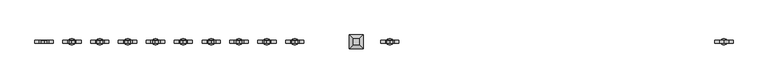
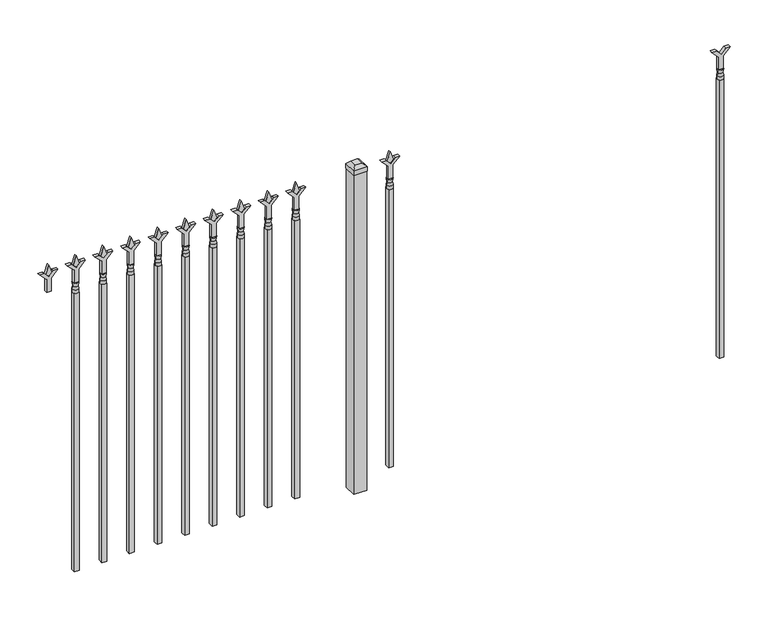
"""IFC4 building model written with IfcOpenShell, lengths in millimetres: railing geometry."""

from ifc_helpers import new_model, si_unit, frame, origin, origin_with_axes, place, context, project, spatial, polyline, circle_curve, outline, extrude, faceted_brep, source, transform, mapped, element, save
from ifc_brep_helpers import plane_surface, cylinder_surface, revolved_surface, advanced_brep


def railing_83a23a74(model_context):
    return source(origin(), model_context, "Body", "SolidModel", [
        extrude(outline(polyline([(1260.475, -70510.749337), (1314.7457378, -70510.749337), (1341.9355122, -70483.5595625), (1341.9355122, -70501.5200747), (1323.975, -70519.480587), (1341.9355122, -70537.4410992), (1341.9355122, -70555.4016114), (1314.7457378, -70528.211837), (1260.475, -70528.211837), (1260.475, -70510.749337)])), frame((0.0, -6737.6070174, 0.0), z_axis=(0.0, 1.0, 0.0), x_axis=(0.0, 0.0, 1.0)), (0.0, 0.0, 1.0), 12.7),
        advanced_brep(
        [(-70507.574337, -6731.2570174, 1231.9), (-70531.386837, -6731.2570174, 1231.9), (-70531.386837, -6731.2570174, 1219.2), (-70507.574337, -6731.2570174, 1219.2), (-70509.7796688, -6731.2570174, 1244.4070585), (-70529.1815051, -6731.2570174, 1244.4070585), (-70507.574337, -6731.2570174, 1260.475), (-70531.386837, -6731.2570174, 1260.475), (-70519.480587, -6731.2570174, 1260.475), (-70519.480587, -6731.2570174, 1219.2)],
        [
            (0, 1, circle_curve(frame((-70519.480587, -6731.2570174, 1231.9), z_axis=(0.0, 0.0, -1.0), x_axis=(-1.0, 0.0, 0.0)), 11.90625)),
            (1, 2),
            (2, 3, circle_curve(frame((-70519.480587, -6731.2570174, 1219.2), z_axis=(0.0, 0.0, 1.0), x_axis=(-1.0, 0.0, 0.0)), 11.90625)),
            (3, 0),
            (1, 0, circle_curve(frame((-70519.480587, -6731.2570174, 1231.9), z_axis=(0.0, 0.0, -1.0), x_axis=(-1.0, 0.0, 0.0)), 11.90625)),
            (3, 2, circle_curve(frame((-70519.480587, -6731.2570174, 1219.2), z_axis=(0.0, 0.0, 1.0), x_axis=(-1.0, 0.0, 0.0)), 11.90625)),
            (4, 5, circle_curve(frame((-70519.480587, -6731.2570174, 1244.4070585), z_axis=(0.0, 0.0, -1.0), x_axis=(-1.0, 0.0, 0.0)), 9.7009181)),
            (5, 1),
            (0, 4),
            (5, 4, circle_curve(frame((-70519.480587, -6731.2570174, 1244.4070585), z_axis=(0.0, 0.0, -1.0), x_axis=(-1.0, 0.0, 0.0)), 9.7009181)),
            (6, 7, circle_curve(frame((-70519.480587, -6731.2570174, 1260.475), z_axis=(0.0, 0.0, -1.0), x_axis=(-1.0, 0.0, 0.0)), 11.90625)),
            (7, 5),
            (4, 6),
            (7, 6, circle_curve(frame((-70519.480587, -6731.2570174, 1260.475), z_axis=(0.0, 0.0, -1.0), x_axis=(-1.0, 0.0, 0.0)), 11.90625)),
            (8, 7),
            (6, 8),
            (2, 9),
            (9, 3),
        ],
        [
            cylinder_surface(frame((-70519.480587, -6731.2570174, 1219.2), z_axis=(0.0, 0.0, 1.0), x_axis=(-1.0, 0.0, 0.0)), 11.90625),
            revolved_surface(polyline([(-70531.386837, -6731.2570174, 1231.9), (-70529.1815051, -6731.2570174, 1244.4070585)]), (-70519.480587, -6731.2570174, 1219.2), (0.0, 0.0, 1.0)),
            revolved_surface(polyline([(-70529.1815051, -6731.2570174, 1244.4070585), (-70531.386837, -6731.2570174, 1260.475)]), (-70519.480587, -6731.2570174, 1219.2), (0.0, 0.0, 1.0)),
            plane_surface(frame((-70519.480587, -6731.2570174, 1260.475), z_axis=(0.0, 0.0, 1.0), x_axis=(-1.0, 0.0, 0.0))),
            plane_surface(frame((-70519.480587, -6731.2570174, 1219.2), z_axis=(0.0, 0.0, -1.0), x_axis=(-1.0, 0.0, 0.0))),
        ],
        [
            (0, [[1, 2, 3, 4]]),
            (0, [[5, -4, 6, -2]]),
            (1, [[7, 8, -1, 9]]),
            (1, [[10, -9, -5, -8]]),
            (2, [[11, 12, -7, 13]]),
            (2, [[14, -13, -10, -12]]),
            (3, [[15, -11, 16]]),
            (3, [[-16, -14, -15]]),
            (4, [[-3, 17, 18]]),
            (4, [[-6, -18, -17]]),
        ],
    ),
        extrude(outline(polyline([(-70529.005587, -6721.7320174), (-70509.955587, -6721.7320174), (-70509.955587, -6740.7820174), (-70529.005587, -6740.7820174), (-70529.005587, -6721.7320174)])), frame((0.0, 0.0, 50.8), z_axis=(0.0, 0.0, 1.0), x_axis=(1.0, 0.0, 0.0)), (0.0, 0.0, 1.0), 1168.4),
        extrude(outline(polyline([(1335.88125, -71818.849337), (1371.6, -71830.755587), (1335.88125, -71842.661837), (1323.975, -71830.755587), (1335.88125, -71818.849337)])), frame((0.0, -6736.0195174, 0.0), z_axis=(0.0, 1.0, 0.0), x_axis=(0.0, 0.0, 1.0)), (0.0, 0.0, 1.0), 9.525),
        extrude(outline(polyline([(1260.475, -71822.024337), (1314.7457378, -71822.024337), (1341.9355122, -71794.8345625), (1341.9355122, -71812.7950747), (1323.975, -71830.755587), (1341.9355122, -71848.7160992), (1341.9355122, -71866.6766114), (1314.7457378, -71839.486837), (1260.475, -71839.486837), (1260.475, -71822.024337)])), frame((0.0, -6737.6070174, 0.0), z_axis=(0.0, 1.0, 0.0), x_axis=(0.0, 0.0, 1.0)), (0.0, 0.0, 1.0), 12.7),
        advanced_brep(
        [(-71818.849337, -6731.2570174, 1231.9), (-71842.661837, -6731.2570174, 1231.9), (-71842.661837, -6731.2570174, 1219.2), (-71818.849337, -6731.2570174, 1219.2), (-71821.0546688, -6731.2570174, 1244.4070585), (-71840.4565051, -6731.2570174, 1244.4070585), (-71818.849337, -6731.2570174, 1260.475), (-71842.661837, -6731.2570174, 1260.475), (-71830.755587, -6731.2570174, 1260.475), (-71830.755587, -6731.2570174, 1219.2)],
        [
            (0, 1, circle_curve(frame((-71830.755587, -6731.2570174, 1231.9), z_axis=(0.0, 0.0, -1.0), x_axis=(-1.0, 0.0, 0.0)), 11.90625)),
            (1, 2),
            (2, 3, circle_curve(frame((-71830.755587, -6731.2570174, 1219.2), z_axis=(0.0, 0.0, 1.0), x_axis=(-1.0, 0.0, 0.0)), 11.90625)),
            (3, 0),
            (1, 0, circle_curve(frame((-71830.755587, -6731.2570174, 1231.9), z_axis=(0.0, 0.0, -1.0), x_axis=(-1.0, 0.0, 0.0)), 11.90625)),
            (3, 2, circle_curve(frame((-71830.755587, -6731.2570174, 1219.2), z_axis=(0.0, 0.0, 1.0), x_axis=(-1.0, 0.0, 0.0)), 11.90625)),
            (4, 5, circle_curve(frame((-71830.755587, -6731.2570174, 1244.4070585), z_axis=(0.0, 0.0, -1.0), x_axis=(-1.0, 0.0, 0.0)), 9.7009181)),
            (5, 1),
            (0, 4),
            (5, 4, circle_curve(frame((-71830.755587, -6731.2570174, 1244.4070585), z_axis=(0.0, 0.0, -1.0), x_axis=(-1.0, 0.0, 0.0)), 9.7009181)),
            (6, 7, circle_curve(frame((-71830.755587, -6731.2570174, 1260.475), z_axis=(0.0, 0.0, -1.0), x_axis=(-1.0, 0.0, 0.0)), 11.90625)),
            (7, 5),
            (4, 6),
            (7, 6, circle_curve(frame((-71830.755587, -6731.2570174, 1260.475), z_axis=(0.0, 0.0, -1.0), x_axis=(-1.0, 0.0, 0.0)), 11.90625)),
            (8, 7),
            (6, 8),
            (2, 9),
            (9, 3),
        ],
        [
            cylinder_surface(frame((-71830.755587, -6731.2570174, 1219.2), z_axis=(0.0, 0.0, 1.0), x_axis=(-1.0, 0.0, 0.0)), 11.90625),
            revolved_surface(polyline([(-71842.661837, -6731.2570174, 1231.9), (-71840.4565051, -6731.2570174, 1244.4070585)]), (-71830.755587, -6731.2570174, 1219.2), (0.0, 0.0, 1.0)),
            revolved_surface(polyline([(-71840.4565051, -6731.2570174, 1244.4070585), (-71842.661837, -6731.2570174, 1260.475)]), (-71830.755587, -6731.2570174, 1219.2), (0.0, 0.0, 1.0)),
            plane_surface(frame((-71830.755587, -6731.2570174, 1260.475), z_axis=(0.0, 0.0, 1.0), x_axis=(-1.0, 0.0, 0.0))),
            plane_surface(frame((-71830.755587, -6731.2570174, 1219.2), z_axis=(0.0, 0.0, -1.0), x_axis=(-1.0, 0.0, 0.0))),
        ],
        [
            (0, [[1, 2, 3, 4]]),
            (0, [[5, -4, 6, -2]]),
            (1, [[7, 8, -1, 9]]),
            (1, [[10, -9, -5, -8]]),
            (2, [[11, 12, -7, 13]]),
            (2, [[14, -13, -10, -12]]),
            (3, [[15, -11, 16]]),
            (3, [[-16, -14, -15]]),
            (4, [[-3, 17, 18]]),
            (4, [[-6, -18, -17]]),
        ],
    ),
        extrude(outline(polyline([(-71840.280587, -6721.7320174), (-71821.230587, -6721.7320174), (-71821.230587, -6740.7820174), (-71840.280587, -6740.7820174), (-71840.280587, -6721.7320174)])), frame((0.0, 0.0, 50.8), z_axis=(0.0, 0.0, 1.0), x_axis=(1.0, 0.0, 0.0)), (0.0, 0.0, 1.0), 1168.4),
        extrude(outline(polyline([(-71937.118087, -6705.8570174), (-71937.118087, -6756.6570174), (-71987.918087, -6756.6570174), (-71987.918087, -6705.8570174), (-71937.118087, -6705.8570174)])), origin_with_axes(), (0.0, 0.0, 1.0), 1339.85),
        faceted_brep([(-71989.505587, -6704.2695174, 1358.9), (-71989.505587, -6704.2695174, 1339.85), (-71989.505587, -6758.2445174, 1339.85), (-71989.505587, -6758.2445174, 1358.9), (-71976.805587, -6716.9695174, 1371.6), (-71976.805587, -6745.5445174, 1371.6), (-71935.530587, -6758.2445174, 1339.85), (-71935.530587, -6758.2445174, 1358.9), (-71948.230587, -6745.5445174, 1371.6), (-71935.530587, -6704.2695174, 1339.85), (-71935.530587, -6704.2695174, 1358.9), (-71948.230587, -6716.9695174, 1371.6)], [[[0, 1, 2, 3]], [[4, 0, 3, 5]], [[3, 2, 6, 7]], [[5, 3, 7, 8]], [[7, 6, 9, 10]], [[8, 7, 10, 11]], [[10, 9, 1, 0]], [[11, 10, 0, 4]], [[5, 8, 11, 4]], [[1, 9, 6, 2]]]),
        extrude(outline(polyline([(1335.88125, -72191.6472536), (1371.6, -72203.5535036), (1335.88125, -72215.4597536), (1323.975, -72203.5535036), (1335.88125, -72191.6472536)])), frame((0.0, -6736.0195174, 0.0), z_axis=(0.0, 1.0, 0.0), x_axis=(0.0, 0.0, 1.0)), (0.0, 0.0, 1.0), 9.525),
        extrude(outline(polyline([(1260.475, -72194.8222536), (1314.7457378, -72194.8222536), (1341.9355122, -72167.6324791), (1341.9355122, -72185.5929914), (1323.975, -72203.5535036), (1341.9355122, -72221.5140159), (1341.9355122, -72239.4745281), (1314.7457378, -72212.2847536), (1260.475, -72212.2847536), (1260.475, -72194.8222536)])), frame((0.0, -6737.6070174, 0.0), z_axis=(0.0, 1.0, 0.0), x_axis=(0.0, 0.0, 1.0)), (0.0, 0.0, 1.0), 12.7),
        advanced_brep(
        [(-72191.6472536, -6731.2570174, 1231.9), (-72215.4597536, -6731.2570174, 1231.9), (-72215.4597536, -6731.2570174, 1219.2), (-72191.6472536, -6731.2570174, 1219.2), (-72193.8525855, -6731.2570174, 1244.4070585), (-72213.2544218, -6731.2570174, 1244.4070585), (-72191.6472536, -6731.2570174, 1260.475), (-72215.4597536, -6731.2570174, 1260.475), (-72203.5535036, -6731.2570174, 1260.475), (-72203.5535036, -6731.2570174, 1219.2)],
        [
            (0, 1, circle_curve(frame((-72203.5535036, -6731.2570174, 1231.9), z_axis=(0.0, 0.0, -1.0), x_axis=(-1.0, 0.0, 0.0)), 11.90625)),
            (1, 2),
            (2, 3, circle_curve(frame((-72203.5535036, -6731.2570174, 1219.2), z_axis=(0.0, 0.0, 1.0), x_axis=(-1.0, 0.0, 0.0)), 11.90625)),
            (3, 0),
            (1, 0, circle_curve(frame((-72203.5535036, -6731.2570174, 1231.9), z_axis=(0.0, 0.0, -1.0), x_axis=(-1.0, 0.0, 0.0)), 11.90625)),
            (3, 2, circle_curve(frame((-72203.5535036, -6731.2570174, 1219.2), z_axis=(0.0, 0.0, 1.0), x_axis=(-1.0, 0.0, 0.0)), 11.90625)),
            (4, 5, circle_curve(frame((-72203.5535036, -6731.2570174, 1244.4070585), z_axis=(0.0, 0.0, -1.0), x_axis=(-1.0, 0.0, 0.0)), 9.7009181)),
            (5, 1),
            (0, 4),
            (5, 4, circle_curve(frame((-72203.5535036, -6731.2570174, 1244.4070585), z_axis=(0.0, 0.0, -1.0), x_axis=(-1.0, 0.0, 0.0)), 9.7009181)),
            (6, 7, circle_curve(frame((-72203.5535036, -6731.2570174, 1260.475), z_axis=(0.0, 0.0, -1.0), x_axis=(-1.0, 0.0, 0.0)), 11.90625)),
            (7, 5),
            (4, 6),
            (7, 6, circle_curve(frame((-72203.5535036, -6731.2570174, 1260.475), z_axis=(0.0, 0.0, -1.0), x_axis=(-1.0, 0.0, 0.0)), 11.90625)),
            (8, 7),
            (6, 8),
            (2, 9),
            (9, 3),
        ],
        [
            cylinder_surface(frame((-72203.5535036, -6731.2570174, 1219.2), z_axis=(0.0, 0.0, 1.0), x_axis=(-1.0, 0.0, 0.0)), 11.90625),
            revolved_surface(polyline([(-72215.4597536, -6731.2570174, 1231.9), (-72213.2544218, -6731.2570174, 1244.4070585)]), (-72203.5535036, -6731.2570174, 1219.2), (0.0, 0.0, 1.0)),
            revolved_surface(polyline([(-72213.2544218, -6731.2570174, 1244.4070585), (-72215.4597536, -6731.2570174, 1260.475)]), (-72203.5535036, -6731.2570174, 1219.2), (0.0, 0.0, 1.0)),
            plane_surface(frame((-72203.5535036, -6731.2570174, 1260.475), z_axis=(0.0, 0.0, 1.0), x_axis=(-1.0, 0.0, 0.0))),
            plane_surface(frame((-72203.5535036, -6731.2570174, 1219.2), z_axis=(0.0, 0.0, -1.0), x_axis=(-1.0, 0.0, 0.0))),
        ],
        [
            (0, [[1, 2, 3, 4]]),
            (0, [[5, -4, 6, -2]]),
            (1, [[7, 8, -1, 9]]),
            (1, [[10, -9, -5, -8]]),
            (2, [[11, 12, -7, 13]]),
            (2, [[14, -13, -10, -12]]),
            (3, [[15, -11, 16]]),
            (3, [[-16, -14, -15]]),
            (4, [[-3, 17, 18]]),
            (4, [[-6, -18, -17]]),
        ],
    ),
        extrude(outline(polyline([(-72213.0785036, -6721.7320174), (-72194.0285036, -6721.7320174), (-72194.0285036, -6740.7820174), (-72213.0785036, -6740.7820174), (-72213.0785036, -6721.7320174)])), frame((0.0, 0.0, 50.8), z_axis=(0.0, 0.0, 1.0), x_axis=(1.0, 0.0, 0.0)), (0.0, 0.0, 1.0), 1168.4),
        extrude(outline(polyline([(1335.88125, -72300.9201703), (1371.6, -72312.8264203), (1335.88125, -72324.7326703), (1323.975, -72312.8264203), (1335.88125, -72300.9201703)])), frame((0.0, -6736.0195174, 0.0), z_axis=(0.0, 1.0, 0.0), x_axis=(0.0, 0.0, 1.0)), (0.0, 0.0, 1.0), 9.525),
        extrude(outline(polyline([(1260.475, -72304.0951703), (1314.7457378, -72304.0951703), (1341.9355122, -72276.9053958), (1341.9355122, -72294.8659081), (1323.975, -72312.8264203), (1341.9355122, -72330.7869325), (1341.9355122, -72348.7474448), (1314.7457378, -72321.5576703), (1260.475, -72321.5576703), (1260.475, -72304.0951703)])), frame((0.0, -6737.6070174, 0.0), z_axis=(0.0, 1.0, 0.0), x_axis=(0.0, 0.0, 1.0)), (0.0, 0.0, 1.0), 12.7),
        advanced_brep(
        [(-72300.9201703, -6731.2570174, 1231.9), (-72324.7326703, -6731.2570174, 1231.9), (-72324.7326703, -6731.2570174, 1219.2), (-72300.9201703, -6731.2570174, 1219.2), (-72303.1255022, -6731.2570174, 1244.4070585), (-72322.5273384, -6731.2570174, 1244.4070585), (-72300.9201703, -6731.2570174, 1260.475), (-72324.7326703, -6731.2570174, 1260.475), (-72312.8264203, -6731.2570174, 1260.475), (-72312.8264203, -6731.2570174, 1219.2)],
        [
            (0, 1, circle_curve(frame((-72312.8264203, -6731.2570174, 1231.9), z_axis=(0.0, 0.0, -1.0), x_axis=(-1.0, 0.0, 0.0)), 11.90625)),
            (1, 2),
            (2, 3, circle_curve(frame((-72312.8264203, -6731.2570174, 1219.2), z_axis=(0.0, 0.0, 1.0), x_axis=(-1.0, 0.0, 0.0)), 11.90625)),
            (3, 0),
            (1, 0, circle_curve(frame((-72312.8264203, -6731.2570174, 1231.9), z_axis=(0.0, 0.0, -1.0), x_axis=(-1.0, 0.0, 0.0)), 11.90625)),
            (3, 2, circle_curve(frame((-72312.8264203, -6731.2570174, 1219.2), z_axis=(0.0, 0.0, 1.0), x_axis=(-1.0, 0.0, 0.0)), 11.90625)),
            (4, 5, circle_curve(frame((-72312.8264203, -6731.2570174, 1244.4070585), z_axis=(0.0, 0.0, -1.0), x_axis=(-1.0, 0.0, 0.0)), 9.7009181)),
            (5, 1),
            (0, 4),
            (5, 4, circle_curve(frame((-72312.8264203, -6731.2570174, 1244.4070585), z_axis=(0.0, 0.0, -1.0), x_axis=(-1.0, 0.0, 0.0)), 9.7009181)),
            (6, 7, circle_curve(frame((-72312.8264203, -6731.2570174, 1260.475), z_axis=(0.0, 0.0, -1.0), x_axis=(-1.0, 0.0, 0.0)), 11.90625)),
            (7, 5),
            (4, 6),
            (7, 6, circle_curve(frame((-72312.8264203, -6731.2570174, 1260.475), z_axis=(0.0, 0.0, -1.0), x_axis=(-1.0, 0.0, 0.0)), 11.90625)),
            (8, 7),
            (6, 8),
            (2, 9),
            (9, 3),
        ],
        [
            cylinder_surface(frame((-72312.8264203, -6731.2570174, 1219.2), z_axis=(0.0, 0.0, 1.0), x_axis=(-1.0, 0.0, 0.0)), 11.90625),
            revolved_surface(polyline([(-72324.7326703, -6731.2570174, 1231.9), (-72322.5273384, -6731.2570174, 1244.4070585)]), (-72312.8264203, -6731.2570174, 1219.2), (0.0, 0.0, 1.0)),
            revolved_surface(polyline([(-72322.5273384, -6731.2570174, 1244.4070585), (-72324.7326703, -6731.2570174, 1260.475)]), (-72312.8264203, -6731.2570174, 1219.2), (0.0, 0.0, 1.0)),
            plane_surface(frame((-72312.8264203, -6731.2570174, 1260.475), z_axis=(0.0, 0.0, 1.0), x_axis=(-1.0, 0.0, 0.0))),
            plane_surface(frame((-72312.8264203, -6731.2570174, 1219.2), z_axis=(0.0, 0.0, -1.0), x_axis=(-1.0, 0.0, 0.0))),
        ],
        [
            (0, [[1, 2, 3, 4]]),
            (0, [[5, -4, 6, -2]]),
            (1, [[7, 8, -1, 9]]),
            (1, [[10, -9, -5, -8]]),
            (2, [[11, 12, -7, 13]]),
            (2, [[14, -13, -10, -12]]),
            (3, [[15, -11, 16]]),
            (3, [[-16, -14, -15]]),
            (4, [[-3, 17, 18]]),
            (4, [[-6, -18, -17]]),
        ],
    ),
        extrude(outline(polyline([(-72322.3514203, -6721.7320174), (-72303.3014203, -6721.7320174), (-72303.3014203, -6740.7820174), (-72322.3514203, -6740.7820174), (-72322.3514203, -6721.7320174)])), frame((0.0, 0.0, 50.8), z_axis=(0.0, 0.0, 1.0), x_axis=(1.0, 0.0, 0.0)), (0.0, 0.0, 1.0), 1168.4),
        extrude(outline(polyline([(1335.88125, -72410.193087), (1371.6, -72422.099337), (1335.88125, -72434.005587), (1323.975, -72422.099337), (1335.88125, -72410.193087)])), frame((0.0, -6736.0195174, 0.0), z_axis=(0.0, 1.0, 0.0), x_axis=(0.0, 0.0, 1.0)), (0.0, 0.0, 1.0), 9.525),
        extrude(outline(polyline([(1260.475, -72413.368087), (1314.7457378, -72413.368087), (1341.9355122, -72386.1783125), (1341.9355122, -72404.1388247), (1323.975, -72422.099337), (1341.9355122, -72440.0598492), (1341.9355122, -72458.0203614), (1314.7457378, -72430.830587), (1260.475, -72430.830587), (1260.475, -72413.368087)])), frame((0.0, -6737.6070174, 0.0), z_axis=(0.0, 1.0, 0.0), x_axis=(0.0, 0.0, 1.0)), (0.0, 0.0, 1.0), 12.7),
        advanced_brep(
        [(-72410.193087, -6731.2570174, 1231.9), (-72434.005587, -6731.2570174, 1231.9), (-72434.005587, -6731.2570174, 1219.2), (-72410.193087, -6731.2570174, 1219.2), (-72412.3984188, -6731.2570174, 1244.4070585), (-72431.8002551, -6731.2570174, 1244.4070585), (-72410.193087, -6731.2570174, 1260.475), (-72434.005587, -6731.2570174, 1260.475), (-72422.099337, -6731.2570174, 1260.475), (-72422.099337, -6731.2570174, 1219.2)],
        [
            (0, 1, circle_curve(frame((-72422.099337, -6731.2570174, 1231.9), z_axis=(0.0, 0.0, -1.0), x_axis=(-1.0, 0.0, 0.0)), 11.90625)),
            (1, 2),
            (2, 3, circle_curve(frame((-72422.099337, -6731.2570174, 1219.2), z_axis=(0.0, 0.0, 1.0), x_axis=(-1.0, 0.0, 0.0)), 11.90625)),
            (3, 0),
            (1, 0, circle_curve(frame((-72422.099337, -6731.2570174, 1231.9), z_axis=(0.0, 0.0, -1.0), x_axis=(-1.0, 0.0, 0.0)), 11.90625)),
            (3, 2, circle_curve(frame((-72422.099337, -6731.2570174, 1219.2), z_axis=(0.0, 0.0, 1.0), x_axis=(-1.0, 0.0, 0.0)), 11.90625)),
            (4, 5, circle_curve(frame((-72422.099337, -6731.2570174, 1244.4070585), z_axis=(0.0, 0.0, -1.0), x_axis=(-1.0, 0.0, 0.0)), 9.7009181)),
            (5, 1),
            (0, 4),
            (5, 4, circle_curve(frame((-72422.099337, -6731.2570174, 1244.4070585), z_axis=(0.0, 0.0, -1.0), x_axis=(-1.0, 0.0, 0.0)), 9.7009181)),
            (6, 7, circle_curve(frame((-72422.099337, -6731.2570174, 1260.475), z_axis=(0.0, 0.0, -1.0), x_axis=(-1.0, 0.0, 0.0)), 11.90625)),
            (7, 5),
            (4, 6),
            (7, 6, circle_curve(frame((-72422.099337, -6731.2570174, 1260.475), z_axis=(0.0, 0.0, -1.0), x_axis=(-1.0, 0.0, 0.0)), 11.90625)),
            (8, 7),
            (6, 8),
            (2, 9),
            (9, 3),
        ],
        [
            cylinder_surface(frame((-72422.099337, -6731.2570174, 1219.2), z_axis=(0.0, 0.0, 1.0), x_axis=(-1.0, 0.0, 0.0)), 11.90625),
            revolved_surface(polyline([(-72434.005587, -6731.2570174, 1231.9), (-72431.8002551, -6731.2570174, 1244.4070585)]), (-72422.099337, -6731.2570174, 1219.2), (0.0, 0.0, 1.0)),
            revolved_surface(polyline([(-72431.8002551, -6731.2570174, 1244.4070585), (-72434.005587, -6731.2570174, 1260.475)]), (-72422.099337, -6731.2570174, 1219.2), (0.0, 0.0, 1.0)),
            plane_surface(frame((-72422.099337, -6731.2570174, 1260.475), z_axis=(0.0, 0.0, 1.0), x_axis=(-1.0, 0.0, 0.0))),
            plane_surface(frame((-72422.099337, -6731.2570174, 1219.2), z_axis=(0.0, 0.0, -1.0), x_axis=(-1.0, 0.0, 0.0))),
        ],
        [
            (0, [[1, 2, 3, 4]]),
            (0, [[5, -4, 6, -2]]),
            (1, [[7, 8, -1, 9]]),
            (1, [[10, -9, -5, -8]]),
            (2, [[11, 12, -7, 13]]),
            (2, [[14, -13, -10, -12]]),
            (3, [[15, -11, 16]]),
            (3, [[-16, -14, -15]]),
            (4, [[-3, 17, 18]]),
            (4, [[-6, -18, -17]]),
        ],
    ),
        extrude(outline(polyline([(-72431.624337, -6721.7320174), (-72412.574337, -6721.7320174), (-72412.574337, -6740.7820174), (-72431.624337, -6740.7820174), (-72431.624337, -6721.7320174)])), frame((0.0, 0.0, 50.8), z_axis=(0.0, 0.0, 1.0), x_axis=(1.0, 0.0, 0.0)), (0.0, 0.0, 1.0), 1168.4),
        extrude(outline(polyline([(1335.88125, -72519.4660036), (1371.6, -72531.3722536), (1335.88125, -72543.2785036), (1323.975, -72531.3722536), (1335.88125, -72519.4660036)])), frame((0.0, -6736.0195174, 0.0), z_axis=(0.0, 1.0, 0.0), x_axis=(0.0, 0.0, 1.0)), (0.0, 0.0, 1.0), 9.525),
        extrude(outline(polyline([(1260.475, -72522.6410036), (1314.7457378, -72522.6410036), (1341.9355122, -72495.4512291), (1341.9355122, -72513.4117414), (1323.975, -72531.3722536), (1341.9355122, -72549.3327659), (1341.9355122, -72567.2932781), (1314.7457378, -72540.1035036), (1260.475, -72540.1035036), (1260.475, -72522.6410036)])), frame((0.0, -6737.6070174, 0.0), z_axis=(0.0, 1.0, 0.0), x_axis=(0.0, 0.0, 1.0)), (0.0, 0.0, 1.0), 12.7),
        advanced_brep(
        [(-72519.4660036, -6731.2570174, 1231.9), (-72543.2785036, -6731.2570174, 1231.9), (-72543.2785036, -6731.2570174, 1219.2), (-72519.4660036, -6731.2570174, 1219.2), (-72521.6713355, -6731.2570174, 1244.4070585), (-72541.0731718, -6731.2570174, 1244.4070585), (-72519.4660036, -6731.2570174, 1260.475), (-72543.2785036, -6731.2570174, 1260.475), (-72531.3722536, -6731.2570174, 1260.475), (-72531.3722536, -6731.2570174, 1219.2)],
        [
            (0, 1, circle_curve(frame((-72531.3722536, -6731.2570174, 1231.9), z_axis=(0.0, 0.0, -1.0), x_axis=(-1.0, 0.0, 0.0)), 11.90625)),
            (1, 2),
            (2, 3, circle_curve(frame((-72531.3722536, -6731.2570174, 1219.2), z_axis=(0.0, 0.0, 1.0), x_axis=(-1.0, 0.0, 0.0)), 11.90625)),
            (3, 0),
            (1, 0, circle_curve(frame((-72531.3722536, -6731.2570174, 1231.9), z_axis=(0.0, 0.0, -1.0), x_axis=(-1.0, 0.0, 0.0)), 11.90625)),
            (3, 2, circle_curve(frame((-72531.3722536, -6731.2570174, 1219.2), z_axis=(0.0, 0.0, 1.0), x_axis=(-1.0, 0.0, 0.0)), 11.90625)),
            (4, 5, circle_curve(frame((-72531.3722536, -6731.2570174, 1244.4070585), z_axis=(0.0, 0.0, -1.0), x_axis=(-1.0, 0.0, 0.0)), 9.7009181)),
            (5, 1),
            (0, 4),
            (5, 4, circle_curve(frame((-72531.3722536, -6731.2570174, 1244.4070585), z_axis=(0.0, 0.0, -1.0), x_axis=(-1.0, 0.0, 0.0)), 9.7009181)),
            (6, 7, circle_curve(frame((-72531.3722536, -6731.2570174, 1260.475), z_axis=(0.0, 0.0, -1.0), x_axis=(-1.0, 0.0, 0.0)), 11.90625)),
            (7, 5),
            (4, 6),
            (7, 6, circle_curve(frame((-72531.3722536, -6731.2570174, 1260.475), z_axis=(0.0, 0.0, -1.0), x_axis=(-1.0, 0.0, 0.0)), 11.90625)),
            (8, 7),
            (6, 8),
            (2, 9),
            (9, 3),
        ],
        [
            cylinder_surface(frame((-72531.3722536, -6731.2570174, 1219.2), z_axis=(0.0, 0.0, 1.0), x_axis=(-1.0, 0.0, 0.0)), 11.90625),
            revolved_surface(polyline([(-72543.2785036, -6731.2570174, 1231.9), (-72541.0731718, -6731.2570174, 1244.4070585)]), (-72531.3722536, -6731.2570174, 1219.2), (0.0, 0.0, 1.0)),
            revolved_surface(polyline([(-72541.0731718, -6731.2570174, 1244.4070585), (-72543.2785036, -6731.2570174, 1260.475)]), (-72531.3722536, -6731.2570174, 1219.2), (0.0, 0.0, 1.0)),
            plane_surface(frame((-72531.3722536, -6731.2570174, 1260.475), z_axis=(0.0, 0.0, 1.0), x_axis=(-1.0, 0.0, 0.0))),
            plane_surface(frame((-72531.3722536, -6731.2570174, 1219.2), z_axis=(0.0, 0.0, -1.0), x_axis=(-1.0, 0.0, 0.0))),
        ],
        [
            (0, [[1, 2, 3, 4]]),
            (0, [[5, -4, 6, -2]]),
            (1, [[7, 8, -1, 9]]),
            (1, [[10, -9, -5, -8]]),
            (2, [[11, 12, -7, 13]]),
            (2, [[14, -13, -10, -12]]),
            (3, [[15, -11, 16]]),
            (3, [[-16, -14, -15]]),
            (4, [[-3, 17, 18]]),
            (4, [[-6, -18, -17]]),
        ],
    ),
        extrude(outline(polyline([(-72540.8972536, -6721.7320174), (-72521.8472536, -6721.7320174), (-72521.8472536, -6740.7820174), (-72540.8972536, -6740.7820174), (-72540.8972536, -6721.7320174)])), frame((0.0, 0.0, 50.8), z_axis=(0.0, 0.0, 1.0), x_axis=(1.0, 0.0, 0.0)), (0.0, 0.0, 1.0), 1168.4),
        extrude(outline(polyline([(1335.88125, -72628.7389203), (1371.6, -72640.6451703), (1335.88125, -72652.5514203), (1323.975, -72640.6451703), (1335.88125, -72628.7389203)])), frame((0.0, -6736.0195174, 0.0), z_axis=(0.0, 1.0, 0.0), x_axis=(0.0, 0.0, 1.0)), (0.0, 0.0, 1.0), 9.525),
        extrude(outline(polyline([(1260.475, -72631.9139203), (1314.7457378, -72631.9139203), (1341.9355122, -72604.7241458), (1341.9355122, -72622.6846581), (1323.975, -72640.6451703), (1341.9355122, -72658.6056825), (1341.9355122, -72676.5661948), (1314.7457378, -72649.3764203), (1260.475, -72649.3764203), (1260.475, -72631.9139203)])), frame((0.0, -6737.6070174, 0.0), z_axis=(0.0, 1.0, 0.0), x_axis=(0.0, 0.0, 1.0)), (0.0, 0.0, 1.0), 12.7),
        advanced_brep(
        [(-72628.7389203, -6731.2570174, 1231.9), (-72652.5514203, -6731.2570174, 1231.9), (-72652.5514203, -6731.2570174, 1219.2), (-72628.7389203, -6731.2570174, 1219.2), (-72630.9442522, -6731.2570174, 1244.4070585), (-72650.3460884, -6731.2570174, 1244.4070585), (-72628.7389203, -6731.2570174, 1260.475), (-72652.5514203, -6731.2570174, 1260.475), (-72640.6451703, -6731.2570174, 1260.475), (-72640.6451703, -6731.2570174, 1219.2)],
        [
            (0, 1, circle_curve(frame((-72640.6451703, -6731.2570174, 1231.9), z_axis=(0.0, 0.0, -1.0), x_axis=(-1.0, 0.0, 0.0)), 11.90625)),
            (1, 2),
            (2, 3, circle_curve(frame((-72640.6451703, -6731.2570174, 1219.2), z_axis=(0.0, 0.0, 1.0), x_axis=(-1.0, 0.0, 0.0)), 11.90625)),
            (3, 0),
            (1, 0, circle_curve(frame((-72640.6451703, -6731.2570174, 1231.9), z_axis=(0.0, 0.0, -1.0), x_axis=(-1.0, 0.0, 0.0)), 11.90625)),
            (3, 2, circle_curve(frame((-72640.6451703, -6731.2570174, 1219.2), z_axis=(0.0, 0.0, 1.0), x_axis=(-1.0, 0.0, 0.0)), 11.90625)),
            (4, 5, circle_curve(frame((-72640.6451703, -6731.2570174, 1244.4070585), z_axis=(0.0, 0.0, -1.0), x_axis=(-1.0, 0.0, 0.0)), 9.7009181)),
            (5, 1),
            (0, 4),
            (5, 4, circle_curve(frame((-72640.6451703, -6731.2570174, 1244.4070585), z_axis=(0.0, 0.0, -1.0), x_axis=(-1.0, 0.0, 0.0)), 9.7009181)),
            (6, 7, circle_curve(frame((-72640.6451703, -6731.2570174, 1260.475), z_axis=(0.0, 0.0, -1.0), x_axis=(-1.0, 0.0, 0.0)), 11.90625)),
            (7, 5),
            (4, 6),
            (7, 6, circle_curve(frame((-72640.6451703, -6731.2570174, 1260.475), z_axis=(0.0, 0.0, -1.0), x_axis=(-1.0, 0.0, 0.0)), 11.90625)),
            (8, 7),
            (6, 8),
            (2, 9),
            (9, 3),
        ],
        [
            cylinder_surface(frame((-72640.6451703, -6731.2570174, 1219.2), z_axis=(0.0, 0.0, 1.0), x_axis=(-1.0, 0.0, 0.0)), 11.90625),
            revolved_surface(polyline([(-72652.5514203, -6731.2570174, 1231.9), (-72650.3460884, -6731.2570174, 1244.4070585)]), (-72640.6451703, -6731.2570174, 1219.2), (0.0, 0.0, 1.0)),
            revolved_surface(polyline([(-72650.3460884, -6731.2570174, 1244.4070585), (-72652.5514203, -6731.2570174, 1260.475)]), (-72640.6451703, -6731.2570174, 1219.2), (0.0, 0.0, 1.0)),
            plane_surface(frame((-72640.6451703, -6731.2570174, 1260.475), z_axis=(0.0, 0.0, 1.0), x_axis=(-1.0, 0.0, 0.0))),
            plane_surface(frame((-72640.6451703, -6731.2570174, 1219.2), z_axis=(0.0, 0.0, -1.0), x_axis=(-1.0, 0.0, 0.0))),
        ],
        [
            (0, [[1, 2, 3, 4]]),
            (0, [[5, -4, 6, -2]]),
            (1, [[7, 8, -1, 9]]),
            (1, [[10, -9, -5, -8]]),
            (2, [[11, 12, -7, 13]]),
            (2, [[14, -13, -10, -12]]),
            (3, [[15, -11, 16]]),
            (3, [[-16, -14, -15]]),
            (4, [[-3, 17, 18]]),
            (4, [[-6, -18, -17]]),
        ],
    ),
        extrude(outline(polyline([(-72650.1701703, -6721.7320174), (-72631.1201703, -6721.7320174), (-72631.1201703, -6740.7820174), (-72650.1701703, -6740.7820174), (-72650.1701703, -6721.7320174)])), frame((0.0, 0.0, 50.8), z_axis=(0.0, 0.0, 1.0), x_axis=(1.0, 0.0, 0.0)), (0.0, 0.0, 1.0), 1168.4),
        extrude(outline(polyline([(1335.88125, -72738.011837), (1371.6, -72749.918087), (1335.88125, -72761.824337), (1323.975, -72749.918087), (1335.88125, -72738.011837)])), frame((0.0, -6736.0195174, 0.0), z_axis=(0.0, 1.0, 0.0), x_axis=(0.0, 0.0, 1.0)), (0.0, 0.0, 1.0), 9.525),
        extrude(outline(polyline([(1260.475, -72741.186837), (1314.7457378, -72741.186837), (1341.9355122, -72713.9970625), (1341.9355122, -72731.9575747), (1323.975, -72749.918087), (1341.9355122, -72767.8785992), (1341.9355122, -72785.8391114), (1314.7457378, -72758.649337), (1260.475, -72758.649337), (1260.475, -72741.186837)])), frame((0.0, -6737.6070174, 0.0), z_axis=(0.0, 1.0, 0.0), x_axis=(0.0, 0.0, 1.0)), (0.0, 0.0, 1.0), 12.7),
        advanced_brep(
        [(-72738.011837, -6731.2570174, 1231.9), (-72761.824337, -6731.2570174, 1231.9), (-72761.824337, -6731.2570174, 1219.2), (-72738.011837, -6731.2570174, 1219.2), (-72740.2171688, -6731.2570174, 1244.4070585), (-72759.6190051, -6731.2570174, 1244.4070585), (-72738.011837, -6731.2570174, 1260.475), (-72761.824337, -6731.2570174, 1260.475), (-72749.918087, -6731.2570174, 1260.475), (-72749.918087, -6731.2570174, 1219.2)],
        [
            (0, 1, circle_curve(frame((-72749.918087, -6731.2570174, 1231.9), z_axis=(0.0, 0.0, -1.0), x_axis=(-1.0, 0.0, 0.0)), 11.90625)),
            (1, 2),
            (2, 3, circle_curve(frame((-72749.918087, -6731.2570174, 1219.2), z_axis=(0.0, 0.0, 1.0), x_axis=(-1.0, 0.0, 0.0)), 11.90625)),
            (3, 0),
            (1, 0, circle_curve(frame((-72749.918087, -6731.2570174, 1231.9), z_axis=(0.0, 0.0, -1.0), x_axis=(-1.0, 0.0, 0.0)), 11.90625)),
            (3, 2, circle_curve(frame((-72749.918087, -6731.2570174, 1219.2), z_axis=(0.0, 0.0, 1.0), x_axis=(-1.0, 0.0, 0.0)), 11.90625)),
            (4, 5, circle_curve(frame((-72749.918087, -6731.2570174, 1244.4070585), z_axis=(0.0, 0.0, -1.0), x_axis=(-1.0, 0.0, 0.0)), 9.7009181)),
            (5, 1),
            (0, 4),
            (5, 4, circle_curve(frame((-72749.918087, -6731.2570174, 1244.4070585), z_axis=(0.0, 0.0, -1.0), x_axis=(-1.0, 0.0, 0.0)), 9.7009181)),
            (6, 7, circle_curve(frame((-72749.918087, -6731.2570174, 1260.475), z_axis=(0.0, 0.0, -1.0), x_axis=(-1.0, 0.0, 0.0)), 11.90625)),
            (7, 5),
            (4, 6),
            (7, 6, circle_curve(frame((-72749.918087, -6731.2570174, 1260.475), z_axis=(0.0, 0.0, -1.0), x_axis=(-1.0, 0.0, 0.0)), 11.90625)),
            (8, 7),
            (6, 8),
            (2, 9),
            (9, 3),
        ],
        [
            cylinder_surface(frame((-72749.918087, -6731.2570174, 1219.2), z_axis=(0.0, 0.0, 1.0), x_axis=(-1.0, 0.0, 0.0)), 11.90625),
            revolved_surface(polyline([(-72761.824337, -6731.2570174, 1231.9), (-72759.6190051, -6731.2570174, 1244.4070585)]), (-72749.918087, -6731.2570174, 1219.2), (0.0, 0.0, 1.0)),
            revolved_surface(polyline([(-72759.6190051, -6731.2570174, 1244.4070585), (-72761.824337, -6731.2570174, 1260.475)]), (-72749.918087, -6731.2570174, 1219.2), (0.0, 0.0, 1.0)),
            plane_surface(frame((-72749.918087, -6731.2570174, 1260.475), z_axis=(0.0, 0.0, 1.0), x_axis=(-1.0, 0.0, 0.0))),
            plane_surface(frame((-72749.918087, -6731.2570174, 1219.2), z_axis=(0.0, 0.0, -1.0), x_axis=(-1.0, 0.0, 0.0))),
        ],
        [
            (0, [[1, 2, 3, 4]]),
            (0, [[5, -4, 6, -2]]),
            (1, [[7, 8, -1, 9]]),
            (1, [[10, -9, -5, -8]]),
            (2, [[11, 12, -7, 13]]),
            (2, [[14, -13, -10, -12]]),
            (3, [[15, -11, 16]]),
            (3, [[-16, -14, -15]]),
            (4, [[-3, 17, 18]]),
            (4, [[-6, -18, -17]]),
        ],
    ),
        extrude(outline(polyline([(-72759.443087, -6721.7320174), (-72740.393087, -6721.7320174), (-72740.393087, -6740.7820174), (-72759.443087, -6740.7820174), (-72759.443087, -6721.7320174)])), frame((0.0, 0.0, 50.8), z_axis=(0.0, 0.0, 1.0), x_axis=(1.0, 0.0, 0.0)), (0.0, 0.0, 1.0), 1168.4),
        extrude(outline(polyline([(1335.88125, -72847.2847536), (1371.6, -72859.1910036), (1335.88125, -72871.0972536), (1323.975, -72859.1910036), (1335.88125, -72847.2847536)])), frame((0.0, -6736.0195174, 0.0), z_axis=(0.0, 1.0, 0.0), x_axis=(0.0, 0.0, 1.0)), (0.0, 0.0, 1.0), 9.525),
        extrude(outline(polyline([(1260.475, -72850.4597536), (1314.7457378, -72850.4597536), (1341.9355122, -72823.2699791), (1341.9355122, -72841.2304914), (1323.975, -72859.1910036), (1341.9355122, -72877.1515159), (1341.9355122, -72895.1120281), (1314.7457378, -72867.9222536), (1260.475, -72867.9222536), (1260.475, -72850.4597536)])), frame((0.0, -6737.6070174, 0.0), z_axis=(0.0, 1.0, 0.0), x_axis=(0.0, 0.0, 1.0)), (0.0, 0.0, 1.0), 12.7),
        advanced_brep(
        [(-72847.2847536, -6731.2570174, 1231.9), (-72871.0972536, -6731.2570174, 1231.9), (-72871.0972536, -6731.2570174, 1219.2), (-72847.2847536, -6731.2570174, 1219.2), (-72849.4900855, -6731.2570174, 1244.4070585), (-72868.8919218, -6731.2570174, 1244.4070585), (-72847.2847536, -6731.2570174, 1260.475), (-72871.0972536, -6731.2570174, 1260.475), (-72859.1910036, -6731.2570174, 1260.475), (-72859.1910036, -6731.2570174, 1219.2)],
        [
            (0, 1, circle_curve(frame((-72859.1910036, -6731.2570174, 1231.9), z_axis=(0.0, 0.0, -1.0), x_axis=(-1.0, 0.0, 0.0)), 11.90625)),
            (1, 2),
            (2, 3, circle_curve(frame((-72859.1910036, -6731.2570174, 1219.2), z_axis=(0.0, 0.0, 1.0), x_axis=(-1.0, 0.0, 0.0)), 11.90625)),
            (3, 0),
            (1, 0, circle_curve(frame((-72859.1910036, -6731.2570174, 1231.9), z_axis=(0.0, 0.0, -1.0), x_axis=(-1.0, 0.0, 0.0)), 11.90625)),
            (3, 2, circle_curve(frame((-72859.1910036, -6731.2570174, 1219.2), z_axis=(0.0, 0.0, 1.0), x_axis=(-1.0, 0.0, 0.0)), 11.90625)),
            (4, 5, circle_curve(frame((-72859.1910036, -6731.2570174, 1244.4070585), z_axis=(0.0, 0.0, -1.0), x_axis=(-1.0, 0.0, 0.0)), 9.7009181)),
            (5, 1),
            (0, 4),
            (5, 4, circle_curve(frame((-72859.1910036, -6731.2570174, 1244.4070585), z_axis=(0.0, 0.0, -1.0), x_axis=(-1.0, 0.0, 0.0)), 9.7009181)),
            (6, 7, circle_curve(frame((-72859.1910036, -6731.2570174, 1260.475), z_axis=(0.0, 0.0, -1.0), x_axis=(-1.0, 0.0, 0.0)), 11.90625)),
            (7, 5),
            (4, 6),
            (7, 6, circle_curve(frame((-72859.1910036, -6731.2570174, 1260.475), z_axis=(0.0, 0.0, -1.0), x_axis=(-1.0, 0.0, 0.0)), 11.90625)),
            (8, 7),
            (6, 8),
            (2, 9),
            (9, 3),
        ],
        [
            cylinder_surface(frame((-72859.1910036, -6731.2570174, 1219.2), z_axis=(0.0, 0.0, 1.0), x_axis=(-1.0, 0.0, 0.0)), 11.90625),
            revolved_surface(polyline([(-72871.0972536, -6731.2570174, 1231.9), (-72868.8919218, -6731.2570174, 1244.4070585)]), (-72859.1910036, -6731.2570174, 1219.2), (0.0, 0.0, 1.0)),
            revolved_surface(polyline([(-72868.8919218, -6731.2570174, 1244.4070585), (-72871.0972536, -6731.2570174, 1260.475)]), (-72859.1910036, -6731.2570174, 1219.2), (0.0, 0.0, 1.0)),
            plane_surface(frame((-72859.1910036, -6731.2570174, 1260.475), z_axis=(0.0, 0.0, 1.0), x_axis=(-1.0, 0.0, 0.0))),
            plane_surface(frame((-72859.1910036, -6731.2570174, 1219.2), z_axis=(0.0, 0.0, -1.0), x_axis=(-1.0, 0.0, 0.0))),
        ],
        [
            (0, [[1, 2, 3, 4]]),
            (0, [[5, -4, 6, -2]]),
            (1, [[7, 8, -1, 9]]),
            (1, [[10, -9, -5, -8]]),
            (2, [[11, 12, -7, 13]]),
            (2, [[14, -13, -10, -12]]),
            (3, [[15, -11, 16]]),
            (3, [[-16, -14, -15]]),
            (4, [[-3, 17, 18]]),
            (4, [[-6, -18, -17]]),
        ],
    ),
        extrude(outline(polyline([(-72868.7160036, -6721.7320174), (-72849.6660036, -6721.7320174), (-72849.6660036, -6740.7820174), (-72868.7160036, -6740.7820174), (-72868.7160036, -6721.7320174)])), frame((0.0, 0.0, 50.8), z_axis=(0.0, 0.0, 1.0), x_axis=(1.0, 0.0, 0.0)), (0.0, 0.0, 1.0), 1168.4),
        extrude(outline(polyline([(1335.88125, -72956.5576703), (1371.6, -72968.4639203), (1335.88125, -72980.3701703), (1323.975, -72968.4639203), (1335.88125, -72956.5576703)])), frame((0.0, -6736.0195174, 0.0), z_axis=(0.0, 1.0, 0.0), x_axis=(0.0, 0.0, 1.0)), (0.0, 0.0, 1.0), 9.525),
        extrude(outline(polyline([(1260.475, -72959.7326703), (1314.7457378, -72959.7326703), (1341.9355122, -72932.5428958), (1341.9355122, -72950.5034081), (1323.975, -72968.4639203), (1341.9355122, -72986.4244325), (1341.9355122, -73004.3849448), (1314.7457378, -72977.1951703), (1260.475, -72977.1951703), (1260.475, -72959.7326703)])), frame((0.0, -6737.6070174, 0.0), z_axis=(0.0, 1.0, 0.0), x_axis=(0.0, 0.0, 1.0)), (0.0, 0.0, 1.0), 12.7),
        advanced_brep(
        [(-72956.5576703, -6731.2570174, 1231.9), (-72980.3701703, -6731.2570174, 1231.9), (-72980.3701703, -6731.2570174, 1219.2), (-72956.5576703, -6731.2570174, 1219.2), (-72958.7630022, -6731.2570174, 1244.4070585), (-72978.1648384, -6731.2570174, 1244.4070585), (-72956.5576703, -6731.2570174, 1260.475), (-72980.3701703, -6731.2570174, 1260.475), (-72968.4639203, -6731.2570174, 1260.475), (-72968.4639203, -6731.2570174, 1219.2)],
        [
            (0, 1, circle_curve(frame((-72968.4639203, -6731.2570174, 1231.9), z_axis=(0.0, 0.0, -1.0), x_axis=(-1.0, 0.0, 0.0)), 11.90625)),
            (1, 2),
            (2, 3, circle_curve(frame((-72968.4639203, -6731.2570174, 1219.2), z_axis=(0.0, 0.0, 1.0), x_axis=(-1.0, 0.0, 0.0)), 11.90625)),
            (3, 0),
            (1, 0, circle_curve(frame((-72968.4639203, -6731.2570174, 1231.9), z_axis=(0.0, 0.0, -1.0), x_axis=(-1.0, 0.0, 0.0)), 11.90625)),
            (3, 2, circle_curve(frame((-72968.4639203, -6731.2570174, 1219.2), z_axis=(0.0, 0.0, 1.0), x_axis=(-1.0, 0.0, 0.0)), 11.90625)),
            (4, 5, circle_curve(frame((-72968.4639203, -6731.2570174, 1244.4070585), z_axis=(0.0, 0.0, -1.0), x_axis=(-1.0, 0.0, 0.0)), 9.7009181)),
            (5, 1),
            (0, 4),
            (5, 4, circle_curve(frame((-72968.4639203, -6731.2570174, 1244.4070585), z_axis=(0.0, 0.0, -1.0), x_axis=(-1.0, 0.0, 0.0)), 9.7009181)),
            (6, 7, circle_curve(frame((-72968.4639203, -6731.2570174, 1260.475), z_axis=(0.0, 0.0, -1.0), x_axis=(-1.0, 0.0, 0.0)), 11.90625)),
            (7, 5),
            (4, 6),
            (7, 6, circle_curve(frame((-72968.4639203, -6731.2570174, 1260.475), z_axis=(0.0, 0.0, -1.0), x_axis=(-1.0, 0.0, 0.0)), 11.90625)),
            (8, 7),
            (6, 8),
            (2, 9),
            (9, 3),
        ],
        [
            cylinder_surface(frame((-72968.4639203, -6731.2570174, 1219.2), z_axis=(0.0, 0.0, 1.0), x_axis=(-1.0, 0.0, 0.0)), 11.90625),
            revolved_surface(polyline([(-72980.3701703, -6731.2570174, 1231.9), (-72978.1648384, -6731.2570174, 1244.4070585)]), (-72968.4639203, -6731.2570174, 1219.2), (0.0, 0.0, 1.0)),
            revolved_surface(polyline([(-72978.1648384, -6731.2570174, 1244.4070585), (-72980.3701703, -6731.2570174, 1260.475)]), (-72968.4639203, -6731.2570174, 1219.2), (0.0, 0.0, 1.0)),
            plane_surface(frame((-72968.4639203, -6731.2570174, 1260.475), z_axis=(0.0, 0.0, 1.0), x_axis=(-1.0, 0.0, 0.0))),
            plane_surface(frame((-72968.4639203, -6731.2570174, 1219.2), z_axis=(0.0, 0.0, -1.0), x_axis=(-1.0, 0.0, 0.0))),
        ],
        [
            (0, [[1, 2, 3, 4]]),
            (0, [[5, -4, 6, -2]]),
            (1, [[7, 8, -1, 9]]),
            (1, [[10, -9, -5, -8]]),
            (2, [[11, 12, -7, 13]]),
            (2, [[14, -13, -10, -12]]),
            (3, [[15, -11, 16]]),
            (3, [[-16, -14, -15]]),
            (4, [[-3, 17, 18]]),
            (4, [[-6, -18, -17]]),
        ],
    ),
        extrude(outline(polyline([(-72977.9889203, -6721.7320174), (-72958.9389203, -6721.7320174), (-72958.9389203, -6740.7820174), (-72977.9889203, -6740.7820174), (-72977.9889203, -6721.7320174)])), frame((0.0, 0.0, 50.8), z_axis=(0.0, 0.0, 1.0), x_axis=(1.0, 0.0, 0.0)), (0.0, 0.0, 1.0), 1168.4),
        extrude(outline(polyline([(1335.88125, -73065.830587), (1371.6, -73077.736837), (1335.88125, -73089.643087), (1323.975, -73077.736837), (1335.88125, -73065.830587)])), frame((0.0, -6736.0195174, 0.0), z_axis=(0.0, 1.0, 0.0), x_axis=(0.0, 0.0, 1.0)), (0.0, 0.0, 1.0), 9.525),
        extrude(outline(polyline([(1260.475, -73069.005587), (1314.7457378, -73069.005587), (1341.9355122, -73041.8158125), (1341.9355122, -73059.7763247), (1323.975, -73077.736837), (1341.9355122, -73095.6973492), (1341.9355122, -73113.6578614), (1314.7457378, -73086.468087), (1260.475, -73086.468087), (1260.475, -73069.005587)])), frame((0.0, -6737.6070174, 0.0), z_axis=(0.0, 1.0, 0.0), x_axis=(0.0, 0.0, 1.0)), (0.0, 0.0, 1.0), 12.7),
        advanced_brep(
        [(-73065.830587, -6731.2570174, 1231.9), (-73089.643087, -6731.2570174, 1231.9), (-73089.643087, -6731.2570174, 1219.2), (-73065.830587, -6731.2570174, 1219.2), (-73068.0359188, -6731.2570174, 1244.4070585), (-73087.4377551, -6731.2570174, 1244.4070585), (-73065.830587, -6731.2570174, 1260.475), (-73089.643087, -6731.2570174, 1260.475), (-73077.736837, -6731.2570174, 1260.475), (-73077.736837, -6731.2570174, 1219.2)],
        [
            (0, 1, circle_curve(frame((-73077.736837, -6731.2570174, 1231.9), z_axis=(0.0, 0.0, -1.0), x_axis=(-1.0, 0.0, 0.0)), 11.90625)),
            (1, 2),
            (2, 3, circle_curve(frame((-73077.736837, -6731.2570174, 1219.2), z_axis=(0.0, 0.0, 1.0), x_axis=(-1.0, 0.0, 0.0)), 11.90625)),
            (3, 0),
            (1, 0, circle_curve(frame((-73077.736837, -6731.2570174, 1231.9), z_axis=(0.0, 0.0, -1.0), x_axis=(-1.0, 0.0, 0.0)), 11.90625)),
            (3, 2, circle_curve(frame((-73077.736837, -6731.2570174, 1219.2), z_axis=(0.0, 0.0, 1.0), x_axis=(-1.0, 0.0, 0.0)), 11.90625)),
            (4, 5, circle_curve(frame((-73077.736837, -6731.2570174, 1244.4070585), z_axis=(0.0, 0.0, -1.0), x_axis=(-1.0, 0.0, 0.0)), 9.7009181)),
            (5, 1),
            (0, 4),
            (5, 4, circle_curve(frame((-73077.736837, -6731.2570174, 1244.4070585), z_axis=(0.0, 0.0, -1.0), x_axis=(-1.0, 0.0, 0.0)), 9.7009181)),
            (6, 7, circle_curve(frame((-73077.736837, -6731.2570174, 1260.475), z_axis=(0.0, 0.0, -1.0), x_axis=(-1.0, 0.0, 0.0)), 11.90625)),
            (7, 5),
            (4, 6),
            (7, 6, circle_curve(frame((-73077.736837, -6731.2570174, 1260.475), z_axis=(0.0, 0.0, -1.0), x_axis=(-1.0, 0.0, 0.0)), 11.90625)),
            (8, 7),
            (6, 8),
            (2, 9),
            (9, 3),
        ],
        [
            cylinder_surface(frame((-73077.736837, -6731.2570174, 1219.2), z_axis=(0.0, 0.0, 1.0), x_axis=(-1.0, 0.0, 0.0)), 11.90625),
            revolved_surface(polyline([(-73089.643087, -6731.2570174, 1231.9), (-73087.4377551, -6731.2570174, 1244.4070585)]), (-73077.736837, -6731.2570174, 1219.2), (0.0, 0.0, 1.0)),
            revolved_surface(polyline([(-73087.4377551, -6731.2570174, 1244.4070585), (-73089.643087, -6731.2570174, 1260.475)]), (-73077.736837, -6731.2570174, 1219.2), (0.0, 0.0, 1.0)),
            plane_surface(frame((-73077.736837, -6731.2570174, 1260.475), z_axis=(0.0, 0.0, 1.0), x_axis=(-1.0, 0.0, 0.0))),
            plane_surface(frame((-73077.736837, -6731.2570174, 1219.2), z_axis=(0.0, 0.0, -1.0), x_axis=(-1.0, 0.0, 0.0))),
        ],
        [
            (0, [[1, 2, 3, 4]]),
            (0, [[5, -4, 6, -2]]),
            (1, [[7, 8, -1, 9]]),
            (1, [[10, -9, -5, -8]]),
            (2, [[11, 12, -7, 13]]),
            (2, [[14, -13, -10, -12]]),
            (3, [[15, -11, 16]]),
            (3, [[-16, -14, -15]]),
            (4, [[-3, 17, 18]]),
            (4, [[-6, -18, -17]]),
        ],
    ),
        extrude(outline(polyline([(-73087.261837, -6721.7320174), (-73068.211837, -6721.7320174), (-73068.211837, -6740.7820174), (-73087.261837, -6740.7820174), (-73087.261837, -6721.7320174)])), frame((0.0, 0.0, 50.8), z_axis=(0.0, 0.0, 1.0), x_axis=(1.0, 0.0, 0.0)), (0.0, 0.0, 1.0), 1168.4),
        extrude(outline(polyline([(1335.88125, -73175.1035036), (1371.6, -73187.0097536), (1335.88125, -73198.9160036), (1323.975, -73187.0097536), (1335.88125, -73175.1035036)])), frame((0.0, -6736.0195174, 0.0), z_axis=(0.0, 1.0, 0.0), x_axis=(0.0, 0.0, 1.0)), (0.0, 0.0, 1.0), 9.525),
        extrude(outline(polyline([(1260.475, -73178.2785036), (1314.7457378, -73178.2785036), (1341.9355122, -73151.0887291), (1341.9355122, -73169.0492414), (1323.975, -73187.0097536), (1341.9355122, -73204.9702659), (1341.9355122, -73222.9307781), (1314.7457378, -73195.7410036), (1260.475, -73195.7410036), (1260.475, -73178.2785036)])), frame((0.0, -6737.6070174, 0.0), z_axis=(0.0, 1.0, 0.0), x_axis=(0.0, 0.0, 1.0)), (0.0, 0.0, 1.0), 12.7),
    ])


if __name__ == "__main__":
    model = new_model("IFC4")
    model_context = context("Model", 3, world=origin())
    ifc_project = project(units=[si_unit("LENGTHUNIT", "METRE", prefix="MILLI")], contexts=[model_context])
    site = spatial("IfcSite", under=ifc_project)
    building = spatial("IfcBuilding", under=site)
    placement = place(None, origin())
    railing_shape = railing_83a23a74(model_context)
    element("IfcRailing", 1, at=placement, inside=building, context=model_context, shape_type="MappedRepresentation", body=[
        mapped(railing_shape, transform((0.0, 0.0, 0.0), x_axis=(1.0, 0.0, 0.0), y_axis=(0.0, 1.0, 0.0), z_axis=(0.0, 0.0, 1.0))),
    ])
    save(model, "model.ifc")
